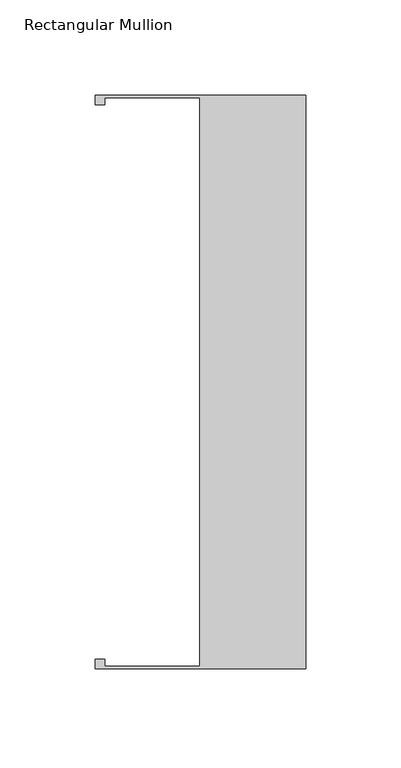
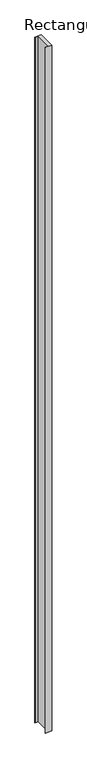
"""IFC4 building model written with IfcOpenShell, lengths in millimetres: member geometry, Rectangular Mullion."""

from ifc_helpers import new_model, si_unit, frame, origin, place, context, project, spatial, polyline, outline, extrude, source, transform, mapped, element, save


def rectangular_mullion_74decedd(model_context):
    return source(origin(), model_context, "Body", "SweptSolid", [
        extrude(outline(polyline([(0.0, -150.8125), (-110.744, -150.8125), (-110.744, -145.7400109), (-105.664, -145.7400109), (-105.664, -149.5425), (-55.739, -149.5425), (-55.739, 149.5421534), (-105.664, 149.5421534), (-105.664, 145.7401534), (-110.744, 145.7401534), (-110.744, 150.8125), (0.0, 150.8125), (0.0, -150.8125)])), frame((0.0, 0.0, -12192.0), z_axis=(0.0, 0.0, 1.0), x_axis=(1.0, 0.0, 0.0)), (0.0, 0.0, 1.0), 12192.0),
    ])


if __name__ == "__main__":
    model = new_model("IFC4")
    model_context = context("Model", 3, world=origin())
    ifc_project = project(units=[si_unit("LENGTHUNIT", "METRE", prefix="MILLI")], contexts=[model_context])
    site = spatial("IfcSite", under=ifc_project)
    building = spatial("IfcBuilding", under=site)
    placement = place(None, origin())
    rectangular_mullion_shape = rectangular_mullion_74decedd(model_context)
    element("IfcMember", 1, ObjectType="Rectangular Mullion", at=placement, inside=building, context=model_context, shape_type="MappedRepresentation", body=[
        mapped(rectangular_mullion_shape, transform((0.0, 0.0, 0.0), x_axis=(1.0, 0.0, 0.0), y_axis=(0.0, 1.0, 0.0), z_axis=(0.0, 0.0, 1.0))),
    ])
    save(model, "model.ifc")
